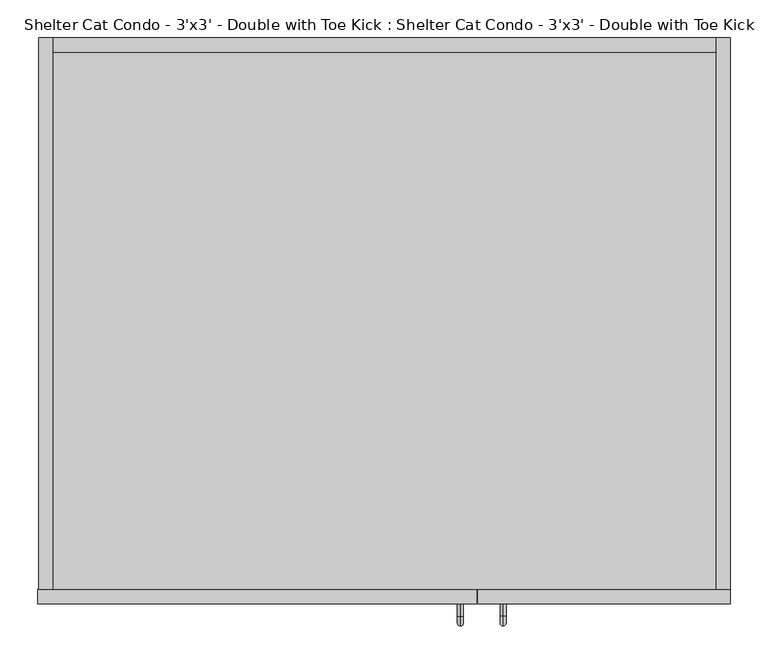
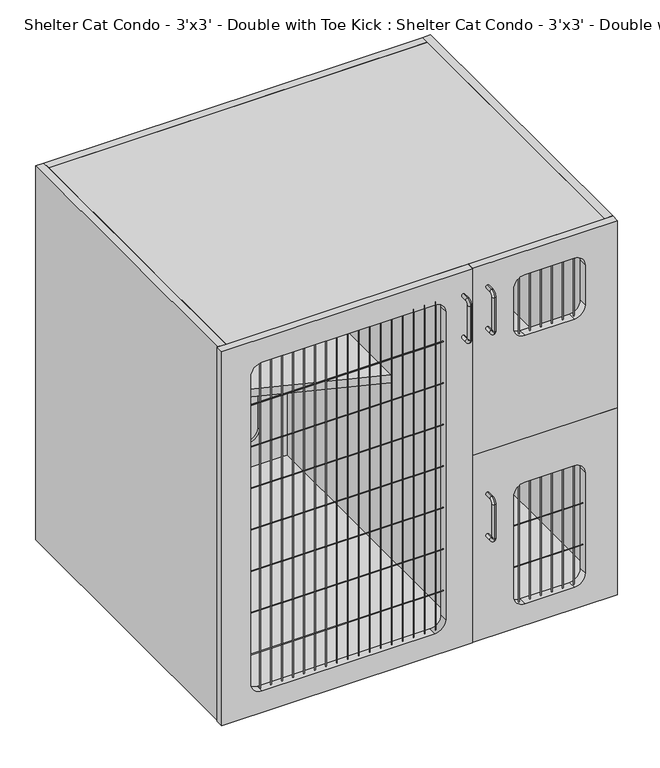
"""IFC4 building model written with IfcOpenShell, lengths in millimetres: proxy geometry, Shelter Cat Condo - 3'x3' - Double with Toe Kick : Shelter Cat Condo - 3'x3' - Double with Toe Kick."""

from ifc_helpers import new_model, si_unit, point, frame, frame_2d, origin, place, context, project, spatial, polyline, circle_curve, ellipse_curve, trimmed, segment, composite_curve, outline, extrude, source, transform, mapped, element, save
from ifc_brep_helpers import plane_surface, cylinder_surface, revolved_surface, advanced_brep


def shelter_cat_condo_3_x3_double_with_toe_kick_shelter_cat_6bec99ed(model_context):
    return source(origin(), model_context, "Body", "SolidModel", [
        advanced_brep(
        [(612.5770523, -12.3992455, 1870.9118154), (612.5770523, -12.3992455, 1878.7631846), (612.5770523, -28.5610223, 1878.7631846), (612.5770523, -28.5610223, 1870.9118154), (612.5770523, -41.7249301, 1865.5992768), (612.5770523, -33.8735609, 1865.5992768), (612.5770523, -41.7249301, 1782.4757232), (612.5770523, -33.8735609, 1782.4757232), (612.5770523, -28.5610223, 1769.3118154), (612.5770523, -28.5610223, 1777.1631846), (612.5770523, -12.3992455, 1777.1631846), (612.5770523, -12.3992455, 1769.3118154)],
        [
            (0, 1, circle_curve(frame((612.5770523, -12.3992455, 1874.8375), z_axis=(0.0, 1.0, 0.0), x_axis=(0.0, 0.0, 1.0)), 3.9256846)),
            (1, 0, circle_curve(frame((612.5770523, -12.3992455, 1874.8375), z_axis=(0.0, 1.0, 0.0), x_axis=(0.0, 0.0, 1.0)), 3.9256846)),
            (1, 2),
            (2, 3, circle_curve(frame((612.5770523, -28.5610223, 1874.8375), z_axis=(0.0, 1.0, 0.0), x_axis=(0.0, 0.0, 1.0)), 3.9256846)),
            (3, 0),
            (3, 2, circle_curve(frame((612.5770523, -28.5610223, 1874.8375), z_axis=(0.0, 1.0, 0.0), x_axis=(0.0, 0.0, 1.0)), 3.9256846)),
            (4, 5, circle_curve(frame((612.5770523, -37.7992455, 1865.5992768), z_axis=(0.0, 0.0, 1.0), x_axis=(0.0, -1.0, 0.0)), 3.9256846)),
            (5, 3, circle_curve(frame((612.5770523, -28.5610223, 1865.5992768), z_axis=(-1.0, 0.0, 0.0), x_axis=(0.0, 0.0, 1.0)), 5.3125387)),
            (2, 4, circle_curve(frame((612.5770523, -28.5610223, 1865.5992768), z_axis=(1.0, 0.0, 0.0), x_axis=(0.0, 0.0, 1.0)), 13.1639078)),
            (5, 4, circle_curve(frame((612.5770523, -37.7992455, 1865.5992768), z_axis=(0.0, 0.0, 1.0), x_axis=(0.0, -1.0, 0.0)), 3.9256846)),
            (4, 6),
            (6, 7, circle_curve(frame((612.5770523, -37.7992455, 1782.4757232), z_axis=(0.0, 0.0, 1.0), x_axis=(0.0, -1.0, 0.0)), 3.9256846)),
            (7, 5),
            (7, 6, circle_curve(frame((612.5770523, -37.7992455, 1782.4757232), z_axis=(0.0, 0.0, 1.0), x_axis=(0.0, -1.0, 0.0)), 3.9256846)),
            (8, 9, circle_curve(frame((612.5770523, -28.5610223, 1773.2375), z_axis=(0.0, -1.0, 0.0), x_axis=(0.0, 0.0, -1.0)), 3.9256846)),
            (9, 7, circle_curve(frame((612.5770523, -28.5610223, 1782.4757232), z_axis=(-1.0, 0.0, 0.0), x_axis=(0.0, -1.0, 0.0)), 5.3125387)),
            (6, 8, circle_curve(frame((612.5770523, -28.5610223, 1782.4757232), z_axis=(1.0, 0.0, 0.0), x_axis=(0.0, -1.0, 0.0)), 13.1639078)),
            (9, 8, circle_curve(frame((612.5770523, -28.5610223, 1773.2375), z_axis=(0.0, -1.0, 0.0), x_axis=(0.0, 0.0, -1.0)), 3.9256846)),
            (10, 11, circle_curve(frame((612.5770523, -12.3992455, 1773.2375), z_axis=(0.0, 1.0, 0.0), x_axis=(0.0, 0.0, -1.0)), 3.9256846)),
            (11, 10, circle_curve(frame((612.5770523, -12.3992455, 1773.2375), z_axis=(0.0, 1.0, 0.0), x_axis=(0.0, 0.0, -1.0)), 3.9256846)),
            (8, 11),
            (10, 9),
        ],
        [
            plane_surface(frame((612.5770523, -12.3992455, 1874.8375), z_axis=(0.0, 1.0, 0.0), x_axis=(-1.0, 0.0, 0.0))),
            cylinder_surface(frame((612.5770523, -12.3992455, 1874.8375), z_axis=(0.0, 1.0, 0.0), x_axis=(0.0, 0.0, 1.0)), 3.9256846),
            revolved_surface(trimmed(ellipse_curve(frame((612.5770523, -28.5610223, 1874.8375), z_axis=(0.0, -1.0, 0.0), x_axis=(0.0, 0.0, 1.0)), 3.9256846, 3.9256846), [point((612.5770523, -28.5610223, 1870.9118154))], [point((612.5770523, -28.5610223, 1878.7631846))], True, "CARTESIAN"), (612.5770523, -28.5610223, 1865.5992768), (-1.0, 0.0, 0.0)),
            revolved_surface(trimmed(ellipse_curve(frame((612.5770523, -28.5610223, 1874.8375), z_axis=(0.0, -1.0, 0.0), x_axis=(0.0, 0.0, 1.0)), 3.9256846, 3.9256846), [point((612.5770523, -28.5610223, 1878.7631846))], [point((612.5770523, -28.5610223, 1870.9118154))], True, "CARTESIAN"), (612.5770523, -28.5610223, 1865.5992768), (-1.0, 0.0, 0.0)),
            cylinder_surface(frame((612.5770523, -37.7992455, 1865.5992768), z_axis=(0.0, 0.0, 1.0), x_axis=(0.0, -1.0, 0.0)), 3.9256846),
            revolved_surface(trimmed(ellipse_curve(frame((612.5770523, -37.7992455, 1782.4757232), z_axis=(0.0, 0.0, -1.0), x_axis=(0.0, -1.0, 0.0)), 3.9256846, 3.9256846), [point((612.5770523, -33.8735609, 1782.4757232))], [point((612.5770523, -41.7249301, 1782.4757232))], True, "CARTESIAN"), (612.5770523, -28.5610223, 1782.4757232), (-1.0, 0.0, 0.0)),
            revolved_surface(trimmed(ellipse_curve(frame((612.5770523, -37.7992455, 1782.4757232), z_axis=(0.0, 0.0, -1.0), x_axis=(0.0, -1.0, 0.0)), 3.9256846, 3.9256846), [point((612.5770523, -41.7249301, 1782.4757232))], [point((612.5770523, -33.8735609, 1782.4757232))], True, "CARTESIAN"), (612.5770523, -28.5610223, 1782.4757232), (-1.0, 0.0, 0.0)),
            plane_surface(frame((612.5770523, -12.3992455, 1773.2375), z_axis=(0.0, 1.0, 0.0), x_axis=(-1.0, 0.0, 0.0))),
            cylinder_surface(frame((612.5770523, -28.5610223, 1773.2375), z_axis=(0.0, -1.0, 0.0), x_axis=(0.0, 0.0, -1.0)), 3.9256846),
        ],
        [
            (0, [[1, 2]]),
            (1, [[3, 4, 5, -2]]),
            (1, [[-5, 6, -3, -1]]),
            (2, [[7, 8, -4, 9]]),
            (3, [[10, -9, -6, -8]]),
            (4, [[11, 12, 13, -7]]),
            (4, [[-13, 14, -11, -10]]),
            (5, [[15, 16, -12, 17]]),
            (6, [[18, -17, -14, -16]]),
            (7, [[19, 20]]),
            (8, [[21, -19, 22, -15]]),
            (8, [[-22, -20, -21, -18]]),
        ],
    ),
        advanced_brep(
        [(612.5770523, -12.3992455, 1364.4993154), (612.5770523, -12.3992455, 1372.3506846), (612.5770523, -28.5610223, 1372.3506846), (612.5770523, -28.5610223, 1364.4993154), (612.5770523, -41.7249301, 1359.1867768), (612.5770523, -33.8735609, 1359.1867768), (612.5770523, -41.7249301, 1276.0632232), (612.5770523, -33.8735609, 1276.0632232), (612.5770523, -28.5610223, 1262.8993154), (612.5770523, -28.5610223, 1270.7506846), (612.5770523, -12.3992455, 1270.7506846), (612.5770523, -12.3992455, 1262.8993154)],
        [
            (0, 1, circle_curve(frame((612.5770523, -12.3992455, 1368.425), z_axis=(0.0, 1.0, 0.0), x_axis=(0.0, 0.0, 1.0)), 3.9256846)),
            (1, 0, circle_curve(frame((612.5770523, -12.3992455, 1368.425), z_axis=(0.0, 1.0, 0.0), x_axis=(0.0, 0.0, 1.0)), 3.9256846)),
            (1, 2),
            (2, 3, circle_curve(frame((612.5770523, -28.5610223, 1368.425), z_axis=(0.0, 1.0, 0.0), x_axis=(0.0, 0.0, 1.0)), 3.9256846)),
            (3, 0),
            (3, 2, circle_curve(frame((612.5770523, -28.5610223, 1368.425), z_axis=(0.0, 1.0, 0.0), x_axis=(0.0, 0.0, 1.0)), 3.9256846)),
            (4, 5, circle_curve(frame((612.5770523, -37.7992455, 1359.1867768), z_axis=(0.0, 0.0, 1.0), x_axis=(0.0, -1.0, 0.0)), 3.9256846)),
            (5, 3, circle_curve(frame((612.5770523, -28.5610223, 1359.1867768), z_axis=(-1.0, 0.0, 0.0), x_axis=(0.0, 0.0, 1.0)), 5.3125387)),
            (2, 4, circle_curve(frame((612.5770523, -28.5610223, 1359.1867768), z_axis=(1.0, 0.0, 0.0), x_axis=(0.0, 0.0, 1.0)), 13.1639078)),
            (5, 4, circle_curve(frame((612.5770523, -37.7992455, 1359.1867768), z_axis=(0.0, 0.0, 1.0), x_axis=(0.0, -1.0, 0.0)), 3.9256846)),
            (4, 6),
            (6, 7, circle_curve(frame((612.5770523, -37.7992455, 1276.0632232), z_axis=(0.0, 0.0, 1.0), x_axis=(0.0, -1.0, 0.0)), 3.9256846)),
            (7, 5),
            (7, 6, circle_curve(frame((612.5770523, -37.7992455, 1276.0632232), z_axis=(0.0, 0.0, 1.0), x_axis=(0.0, -1.0, 0.0)), 3.9256846)),
            (8, 9, circle_curve(frame((612.5770523, -28.5610223, 1266.825), z_axis=(0.0, -1.0, 0.0), x_axis=(0.0, 0.0, -1.0)), 3.9256846)),
            (9, 7, circle_curve(frame((612.5770523, -28.5610223, 1276.0632232), z_axis=(-1.0, 0.0, 0.0), x_axis=(0.0, -1.0, 0.0)), 5.3125387)),
            (6, 8, circle_curve(frame((612.5770523, -28.5610223, 1276.0632232), z_axis=(1.0, 0.0, 0.0), x_axis=(0.0, -1.0, 0.0)), 13.1639078)),
            (9, 8, circle_curve(frame((612.5770523, -28.5610223, 1266.825), z_axis=(0.0, -1.0, 0.0), x_axis=(0.0, 0.0, -1.0)), 3.9256846)),
            (10, 11, circle_curve(frame((612.5770523, -12.3992455, 1266.825), z_axis=(0.0, 1.0, 0.0), x_axis=(0.0, 0.0, -1.0)), 3.9256846)),
            (11, 10, circle_curve(frame((612.5770523, -12.3992455, 1266.825), z_axis=(0.0, 1.0, 0.0), x_axis=(0.0, 0.0, -1.0)), 3.9256846)),
            (8, 11),
            (10, 9),
        ],
        [
            plane_surface(frame((612.5770523, -12.3992455, 1368.425), z_axis=(0.0, 1.0, 0.0), x_axis=(-1.0, 0.0, 0.0))),
            cylinder_surface(frame((612.5770523, -12.3992455, 1368.425), z_axis=(0.0, 1.0, 0.0), x_axis=(0.0, 0.0, 1.0)), 3.9256846),
            revolved_surface(trimmed(ellipse_curve(frame((612.5770523, -28.5610223, 1368.425), z_axis=(0.0, -1.0, 0.0), x_axis=(0.0, 0.0, 1.0)), 3.9256846, 3.9256846), [point((612.5770523, -28.5610223, 1364.4993154))], [point((612.5770523, -28.5610223, 1372.3506846))], True, "CARTESIAN"), (612.5770523, -28.5610223, 1359.1867768), (-1.0, 0.0, 0.0)),
            revolved_surface(trimmed(ellipse_curve(frame((612.5770523, -28.5610223, 1368.425), z_axis=(0.0, -1.0, 0.0), x_axis=(0.0, 0.0, 1.0)), 3.9256846, 3.9256846), [point((612.5770523, -28.5610223, 1372.3506846))], [point((612.5770523, -28.5610223, 1364.4993154))], True, "CARTESIAN"), (612.5770523, -28.5610223, 1359.1867768), (-1.0, 0.0, 0.0)),
            cylinder_surface(frame((612.5770523, -37.7992455, 1359.1867768), z_axis=(0.0, 0.0, 1.0), x_axis=(0.0, -1.0, 0.0)), 3.9256846),
            revolved_surface(trimmed(ellipse_curve(frame((612.5770523, -37.7992455, 1276.0632232), z_axis=(0.0, 0.0, -1.0), x_axis=(0.0, -1.0, 0.0)), 3.9256846, 3.9256846), [point((612.5770523, -33.8735609, 1276.0632232))], [point((612.5770523, -41.7249301, 1276.0632232))], True, "CARTESIAN"), (612.5770523, -28.5610223, 1276.0632232), (-1.0, 0.0, 0.0)),
            revolved_surface(trimmed(ellipse_curve(frame((612.5770523, -37.7992455, 1276.0632232), z_axis=(0.0, 0.0, -1.0), x_axis=(0.0, -1.0, 0.0)), 3.9256846, 3.9256846), [point((612.5770523, -41.7249301, 1276.0632232))], [point((612.5770523, -33.8735609, 1276.0632232))], True, "CARTESIAN"), (612.5770523, -28.5610223, 1276.0632232), (-1.0, 0.0, 0.0)),
            plane_surface(frame((612.5770523, -12.3992455, 1266.825), z_axis=(0.0, 1.0, 0.0), x_axis=(-1.0, 0.0, 0.0))),
            cylinder_surface(frame((612.5770523, -28.5610223, 1266.825), z_axis=(0.0, -1.0, 0.0), x_axis=(0.0, 0.0, -1.0)), 3.9256846),
        ],
        [
            (0, [[1, 2]]),
            (1, [[3, 4, 5, -2]]),
            (1, [[-5, 6, -3, -1]]),
            (2, [[7, 8, -4, 9]]),
            (3, [[10, -9, -6, -8]]),
            (4, [[11, 12, 13, -7]]),
            (4, [[-13, 14, -11, -10]]),
            (5, [[15, 16, -12, 17]]),
            (6, [[18, -17, -14, -16]]),
            (7, [[19, 20]]),
            (8, [[21, -19, 22, -15]]),
            (8, [[-22, -20, -21, -18]]),
        ],
    ),
        advanced_brep(
        [(556.1960132, -12.7, 1869.3243154), (556.1960132, -12.7, 1877.1756846), (556.1960132, -28.8617768, 1869.3243154), (556.1960132, -28.8617768, 1877.1756846), (556.1960132, -42.0256846, 1864.0117768), (556.1960132, -34.1743154, 1864.0117768), (556.1960132, -34.1743154, 1780.8882232), (556.1960132, -42.0256846, 1780.8882232), (556.1960132, -28.8617768, 1767.7243154), (556.1960132, -28.8617768, 1775.5756846), (556.1960132, -12.7, 1775.5756846), (556.1960132, -12.7, 1767.7243154)],
        [
            (0, 1, circle_curve(frame((556.1960132, -12.7, 1873.25), z_axis=(0.0, 1.0, 0.0), x_axis=(0.0, 0.0, 1.0)), 3.9256846)),
            (1, 0, circle_curve(frame((556.1960132, -12.7, 1873.25), z_axis=(0.0, 1.0, 0.0), x_axis=(0.0, 0.0, 1.0)), 3.9256846)),
            (0, 2),
            (2, 3, circle_curve(frame((556.1960132, -28.8617768, 1873.25), z_axis=(0.0, 1.0, 0.0), x_axis=(0.0, 0.0, 1.0)), 3.9256846)),
            (3, 1),
            (3, 2, circle_curve(frame((556.1960132, -28.8617768, 1873.25), z_axis=(0.0, 1.0, 0.0), x_axis=(0.0, 0.0, 1.0)), 3.9256846)),
            (4, 3, circle_curve(frame((556.1960132, -28.8617768, 1864.0117768), z_axis=(-1.0, 0.0, 0.0), x_axis=(0.0, 0.0, 1.0)), 13.1639078)),
            (2, 5, circle_curve(frame((556.1960132, -28.8617768, 1864.0117768), z_axis=(1.0, 0.0, 0.0), x_axis=(0.0, 0.0, 1.0)), 5.3125387)),
            (5, 4, circle_curve(frame((556.1960132, -38.1, 1864.0117768), z_axis=(0.0, 0.0, 1.0), x_axis=(0.0, -1.0, 0.0)), 3.9256846)),
            (4, 5, circle_curve(frame((556.1960132, -38.1, 1864.0117768), z_axis=(0.0, 0.0, 1.0), x_axis=(0.0, -1.0, 0.0)), 3.9256846)),
            (5, 6),
            (6, 7, circle_curve(frame((556.1960132, -38.1, 1780.8882232), z_axis=(0.0, 0.0, 1.0), x_axis=(0.0, -1.0, 0.0)), 3.9256846)),
            (7, 4),
            (7, 6, circle_curve(frame((556.1960132, -38.1, 1780.8882232), z_axis=(0.0, 0.0, 1.0), x_axis=(0.0, -1.0, 0.0)), 3.9256846)),
            (8, 7, circle_curve(frame((556.1960132, -28.8617768, 1780.8882232), z_axis=(-1.0, 0.0, 0.0), x_axis=(0.0, -1.0, 0.0)), 13.1639078)),
            (6, 9, circle_curve(frame((556.1960132, -28.8617768, 1780.8882232), z_axis=(1.0, 0.0, 0.0), x_axis=(0.0, -1.0, 0.0)), 5.3125387)),
            (9, 8, circle_curve(frame((556.1960132, -28.8617768, 1771.65), z_axis=(0.0, -1.0, 0.0), x_axis=(0.0, 0.0, -1.0)), 3.9256846)),
            (8, 9, circle_curve(frame((556.1960132, -28.8617768, 1771.65), z_axis=(0.0, -1.0, 0.0), x_axis=(0.0, 0.0, -1.0)), 3.9256846)),
            (10, 11, circle_curve(frame((556.1960132, -12.7, 1771.65), z_axis=(0.0, 1.0, 0.0), x_axis=(0.0, 0.0, -1.0)), 3.9256846)),
            (11, 10, circle_curve(frame((556.1960132, -12.7, 1771.65), z_axis=(0.0, 1.0, 0.0), x_axis=(0.0, 0.0, -1.0)), 3.9256846)),
            (9, 10),
            (11, 8),
        ],
        [
            plane_surface(frame((556.1960132, -12.7, 1873.25), z_axis=(0.0, 1.0, 0.0), x_axis=(1.0, 0.0, 0.0))),
            cylinder_surface(frame((556.1960132, -12.7, 1873.25), z_axis=(0.0, 1.0, 0.0), x_axis=(0.0, 0.0, 1.0)), 3.9256846),
            revolved_surface(trimmed(ellipse_curve(frame((556.1960132, -28.8617768, 1873.25), z_axis=(0.0, 1.0, 0.0), x_axis=(0.0, 0.0, 1.0)), 3.9256846, 3.9256846), [point((556.1960132, -28.8617768, 1869.3243154))], [point((556.1960132, -28.8617768, 1877.1756846))], True, "CARTESIAN"), (556.1960132, -28.8617768, 1864.0117768), (1.0, 0.0, 0.0)),
            revolved_surface(trimmed(ellipse_curve(frame((556.1960132, -28.8617768, 1873.25), z_axis=(0.0, 1.0, 0.0), x_axis=(0.0, 0.0, 1.0)), 3.9256846, 3.9256846), [point((556.1960132, -28.8617768, 1877.1756846))], [point((556.1960132, -28.8617768, 1869.3243154))], True, "CARTESIAN"), (556.1960132, -28.8617768, 1864.0117768), (1.0, 0.0, 0.0)),
            cylinder_surface(frame((556.1960132, -38.1, 1864.0117768), z_axis=(0.0, 0.0, 1.0), x_axis=(0.0, -1.0, 0.0)), 3.9256846),
            revolved_surface(trimmed(ellipse_curve(frame((556.1960132, -38.1, 1780.8882232), z_axis=(0.0, 0.0, 1.0), x_axis=(0.0, -1.0, 0.0)), 3.9256846, 3.9256846), [point((556.1960132, -34.1743154, 1780.8882232))], [point((556.1960132, -42.0256846, 1780.8882232))], True, "CARTESIAN"), (556.1960132, -28.8617768, 1780.8882232), (1.0, 0.0, 0.0)),
            revolved_surface(trimmed(ellipse_curve(frame((556.1960132, -38.1, 1780.8882232), z_axis=(0.0, 0.0, 1.0), x_axis=(0.0, -1.0, 0.0)), 3.9256846, 3.9256846), [point((556.1960132, -42.0256846, 1780.8882232))], [point((556.1960132, -34.1743154, 1780.8882232))], True, "CARTESIAN"), (556.1960132, -28.8617768, 1780.8882232), (1.0, 0.0, 0.0)),
            plane_surface(frame((556.1960132, -12.7, 1771.65), z_axis=(0.0, 1.0, 0.0), x_axis=(1.0, 0.0, 0.0))),
            cylinder_surface(frame((556.1960132, -28.8617768, 1771.65), z_axis=(0.0, -1.0, 0.0), x_axis=(0.0, 0.0, -1.0)), 3.9256846),
        ],
        [
            (0, [[1, 2]]),
            (1, [[-1, 3, 4, 5]]),
            (1, [[-2, -5, 6, -3]]),
            (2, [[7, -4, 8, 9]]),
            (3, [[-8, -6, -7, 10]]),
            (4, [[-9, 11, 12, 13]]),
            (4, [[-10, -13, 14, -11]]),
            (5, [[15, -12, 16, 17]]),
            (6, [[-16, -14, -15, 18]]),
            (7, [[19, 20]]),
            (8, [[-17, 21, -20, 22]]),
            (8, [[-18, -22, -19, -21]]),
        ],
    ),
        extrude(outline(composite_curve([segment(polyline([(1857.6229317, 480.2642934), (1857.6229317, 83.895388)]), True, "CONTINUOUS"), segment(trimmed(circle_curve(frame_2d((1832.2229317, 83.895388)), 25.4), [point((1857.6229317, 83.895388))], [point((1832.2229317, 58.495388))], False, "CARTESIAN"), True, "CONTINUOUS"), segment(polyline([(1832.2229317, 58.495388), (1121.2421917, 58.495388)]), True, "CONTINUOUS"), segment(trimmed(circle_curve(frame_2d((1121.2421917, 83.895388)), 25.4), [point((1121.2421917, 58.495388))], [point((1095.8421917, 83.895388))], False, "CARTESIAN"), True, "CONTINUOUS"), segment(polyline([(1095.8421917, 83.895388), (1095.8421917, 480.2642934)]), True, "CONTINUOUS"), segment(trimmed(circle_curve(frame_2d((1121.2421917, 480.2642934)), 25.4), [point((1095.8421917, 480.2642934))], [point((1121.2421917, 505.6642934))], False, "CARTESIAN"), True, "CONTINUOUS"), segment(polyline([(1121.2421917, 505.6642934), (1832.2229317, 505.6642934)]), True, "CONTINUOUS"), segment(trimmed(circle_curve(frame_2d((1832.2229317, 480.2642934)), 25.4), [point((1832.2229317, 505.6642934))], [point((1857.6229317, 480.2642934))], False, "CARTESIAN"), True, "CONTINUOUS")], self_intersect=False)), frame((0.0, 723.9, 0.0), z_axis=(0.0, 1.0, 0.0), x_axis=(0.0, 0.0, 1.0)), (0.0, 0.0, 1.0), 6.35),
        extrude(outline(polyline([(1930.6479317, 893.9581709), (1930.6479317, 17.6581709), (1016.0, 17.6581709), (1016.0, 893.9581709), (1930.6479317, 893.9581709)]), holes=[composite_curve([segment(polyline([(1832.2229317, 505.6642934), (1121.2421917, 505.6642934)]), True, "CONTINUOUS"), segment(trimmed(circle_curve(frame_2d((1121.2421917, 480.2642934)), 25.4), [point((1121.2421917, 505.6642934))], [point((1095.8421917, 480.2642934))], True, "CARTESIAN"), True, "CONTINUOUS"), segment(polyline([(1095.8421917, 480.2642934), (1095.8421917, 83.895388)]), True, "CONTINUOUS"), segment(trimmed(circle_curve(frame_2d((1121.2421917, 83.895388)), 25.4), [point((1095.8421917, 83.895388))], [point((1121.2421917, 58.495388))], True, "CARTESIAN"), True, "CONTINUOUS"), segment(polyline([(1121.2421917, 58.495388), (1832.2229317, 58.495388)]), True, "CONTINUOUS"), segment(trimmed(circle_curve(frame_2d((1832.2229317, 83.895388)), 25.4), [point((1832.2229317, 58.495388))], [point((1857.6229317, 83.895388))], True, "CARTESIAN"), True, "CONTINUOUS"), segment(polyline([(1857.6229317, 83.895388), (1857.6229317, 480.2642934)]), True, "CONTINUOUS"), segment(trimmed(circle_curve(frame_2d((1832.2229317, 480.2642934)), 25.4), [point((1857.6229317, 480.2642934))], [point((1832.2229317, 505.6642934))], True, "CARTESIAN"), True, "CONTINUOUS")], self_intersect=False)]), frame((0.0, 717.55, 0.0), z_axis=(0.0, 1.0, 0.0), x_axis=(0.0, 0.0, 1.0)), (0.0, 0.0, 1.0), 19.05),
        extrude(outline(polyline([(893.9581709, 717.55), (893.9581709, 6.35), (589.1581709, 6.35), (589.1581709, 717.55), (893.9581709, 717.55)])), frame((0.0, 0.0, 1463.7989658), z_axis=(0.0, 0.0, 1.0), x_axis=(1.0, 0.0, 0.0)), (0.0, 0.0, 1.0), 19.05),
        extrude(outline(polyline([(893.9581709, 717.55), (893.9581709, 6.35), (17.6581709, 6.35), (17.6581709, 717.55), (893.9581709, 717.55)])), frame((0.0, 0.0, 1911.5979317), z_axis=(0.0, 0.0, 1.0), x_axis=(1.0, 0.0, 0.0)), (0.0, 0.0, 1.0), 19.05),
        extrude(outline(polyline([(570.1081709, 717.55), (589.1581709, 717.55), (589.1581709, 6.35), (570.1081709, 6.35), (570.1081709, 717.55)])), frame((0.0, 0.0, 1035.05), z_axis=(0.0, 0.0, 1.0), x_axis=(1.0, 0.0, 0.0)), (0.0, 0.0, 1.0), 876.5479317),
        extrude(outline(polyline([(570.1081709, 717.55), (570.1081709, 300.5746441), (17.6581709, 501.65), (17.6581709, 717.55), (570.1081709, 717.55)])), frame((0.0, 0.0, 1464.7822176), z_axis=(0.0, 0.0, 1.0), x_axis=(1.0, 0.0, 0.0)), (0.0, 0.0, 1.0), 19.05),
        extrude(outline(polyline([(893.9581709, 6.35), (17.6581709, 6.35), (17.6581709, 717.55), (893.9581709, 717.55), (893.9581709, 6.35)])), frame((0.0, 0.0, 1016.0), z_axis=(0.0, 0.0, 1.0), x_axis=(1.0, 0.0, 0.0)), (0.0, 0.0, 1.0), 19.05),
        extrude(outline(polyline([(893.9581709, 736.6), (913.0081709, 736.6), (913.0081709, 6.35), (893.9581709, 6.35), (893.9581709, 736.6)])), frame((0.0, 0.0, 1016.0), z_axis=(0.0, 0.0, 1.0), x_axis=(1.0, 0.0, 0.0)), (0.0, 0.0, 1.0), 914.6479317),
        extrude(outline(polyline([(17.6581709, 736.6), (17.6581709, 6.35), (-1.3918291, 6.35), (-1.3918291, 736.6), (17.6581709, 736.6)])), frame((0.0, 0.0, 1016.0), z_axis=(0.0, 0.0, 1.0), x_axis=(1.0, 0.0, 0.0)), (0.0, 0.0, 1.0), 914.6479317),
        extrude(outline(polyline([(1930.6479317, 913.0081709), (1930.6479317, 578.9894362), (1473.3239658, 578.9894362), (1473.3239658, 913.0081709), (1930.6479317, 913.0081709)]), holes=[composite_curve([segment(polyline([(1873.25, 698.8412572), (1873.25, 813.1412572)]), True, "CONTINUOUS"), segment(trimmed(circle_curve(frame_2d((1847.85, 813.1412572)), 25.4), [point((1873.25, 813.1412572))], [point((1847.85, 838.5412572))], True, "CARTESIAN"), True, "CONTINUOUS"), segment(polyline([(1847.85, 838.5412572), (1750.3866761, 838.5412572)]), True, "CONTINUOUS"), segment(trimmed(circle_curve(frame_2d((1750.3866761, 813.1412572)), 25.4), [point((1750.3866761, 838.5412572))], [point((1724.9866761, 813.1412572))], True, "CARTESIAN"), True, "CONTINUOUS"), segment(polyline([(1724.9866761, 813.1412572), (1724.9866761, 698.8412572)]), True, "CONTINUOUS"), segment(trimmed(circle_curve(frame_2d((1750.3866761, 698.8412572)), 25.4), [point((1724.9866761, 698.8412572))], [point((1750.3866761, 673.4412572))], True, "CARTESIAN"), True, "CONTINUOUS"), segment(polyline([(1750.3866761, 673.4412572), (1847.85, 673.4412572)]), True, "CONTINUOUS"), segment(trimmed(circle_curve(frame_2d((1847.85, 698.8412572)), 25.4), [point((1847.85, 673.4412572))], [point((1873.25, 698.8412572))], True, "CARTESIAN"), True, "CONTINUOUS")], self_intersect=False)]), frame((0.0, -12.3992455, 0.0), z_axis=(0.0, 1.0, 0.0), x_axis=(0.0, 0.0, 1.0)), (0.0, 0.0, 1.0), 19.05),
        extrude(outline(composite_curve([segment(trimmed(circle_curve(frame_2d((817.3918339, -3.3102248)), 0.79375), [point((816.5980839, -3.3102248))], [point((818.1855839, -3.3102248))], False, "CARTESIAN"), True, "CONTINUOUS"), segment(trimmed(circle_curve(frame_2d((817.3918339, -3.3102248)), 0.79375), [point((818.1855839, -3.3102248))], [point((816.5980839, -3.3102248))], False, "CARTESIAN"), True, "CONTINUOUS")], self_intersect=False)), frame((0.0, 0.0, 1068.8760987), z_axis=(0.0, 0.0, 1.0), x_axis=(1.0, 0.0, 0.0)), (0.0, 0.0, 1.0), 296.8625),
        extrude(outline(composite_curve([segment(trimmed(circle_curve(frame_2d((791.9918339, -3.3102248)), 0.79375), [point((791.1980839, -3.3102248))], [point((792.7855839, -3.3102248))], False, "CARTESIAN"), True, "CONTINUOUS"), segment(trimmed(circle_curve(frame_2d((791.9918339, -3.3102248)), 0.79375), [point((792.7855839, -3.3102248))], [point((791.1980839, -3.3102248))], False, "CARTESIAN"), True, "CONTINUOUS")], self_intersect=False)), frame((0.0, 0.0, 1068.8760987), z_axis=(0.0, 0.0, 1.0), x_axis=(1.0, 0.0, 0.0)), (0.0, 0.0, 1.0), 296.8625),
        extrude(outline(composite_curve([segment(trimmed(circle_curve(frame_2d((766.5918339, -3.3102248)), 0.79375), [point((765.7980839, -3.3102248))], [point((767.3855839, -3.3102248))], False, "CARTESIAN"), True, "CONTINUOUS"), segment(trimmed(circle_curve(frame_2d((766.5918339, -3.3102248)), 0.79375), [point((767.3855839, -3.3102248))], [point((765.7980839, -3.3102248))], False, "CARTESIAN"), True, "CONTINUOUS")], self_intersect=False)), frame((0.0, 0.0, 1068.8760987), z_axis=(0.0, 0.0, 1.0), x_axis=(1.0, 0.0, 0.0)), (0.0, 0.0, 1.0), 296.8625),
        extrude(outline(composite_curve([segment(trimmed(circle_curve(frame_2d((741.1918339, -3.3102248)), 0.79375), [point((740.3980839, -3.3102248))], [point((741.9855839, -3.3102248))], False, "CARTESIAN"), True, "CONTINUOUS"), segment(trimmed(circle_curve(frame_2d((741.1918339, -3.3102248)), 0.79375), [point((741.9855839, -3.3102248))], [point((740.3980839, -3.3102248))], False, "CARTESIAN"), True, "CONTINUOUS")], self_intersect=False)), frame((0.0, 0.0, 1068.8760987), z_axis=(0.0, 0.0, 1.0), x_axis=(1.0, 0.0, 0.0)), (0.0, 0.0, 1.0), 296.8625),
        extrude(outline(composite_curve([segment(trimmed(circle_curve(frame_2d((715.7918339, -3.3102248)), 0.79375), [point((714.9980839, -3.3102248))], [point((716.5855839, -3.3102248))], False, "CARTESIAN"), True, "CONTINUOUS"), segment(trimmed(circle_curve(frame_2d((715.7918339, -3.3102248)), 0.79375), [point((716.5855839, -3.3102248))], [point((714.9980839, -3.3102248))], False, "CARTESIAN"), True, "CONTINUOUS")], self_intersect=False)), frame((0.0, 0.0, 1068.8760987), z_axis=(0.0, 0.0, 1.0), x_axis=(1.0, 0.0, 0.0)), (0.0, 0.0, 1.0), 296.8625),
        extrude(outline(composite_curve([segment(trimmed(circle_curve(frame_2d((690.3918339, -3.3102248)), 0.79375), [point((689.5980839, -3.3102248))], [point((691.1855839, -3.3102248))], False, "CARTESIAN"), True, "CONTINUOUS"), segment(trimmed(circle_curve(frame_2d((690.3918339, -3.3102248)), 0.79375), [point((691.1855839, -3.3102248))], [point((689.5980839, -3.3102248))], False, "CARTESIAN"), True, "CONTINUOUS")], self_intersect=False)), frame((0.0, 0.0, 1068.8760987), z_axis=(0.0, 0.0, 1.0), x_axis=(1.0, 0.0, 0.0)), (0.0, 0.0, 1.0), 296.8625),
        extrude(outline(composite_curve([segment(trimmed(circle_curve(frame_2d((-3.3102248, 1260.9635987)), 0.79375), [point((-3.3102248, 1261.7573487))], [point((-3.3102248, 1260.1698487))], False, "CARTESIAN"), True, "CONTINUOUS"), segment(trimmed(circle_curve(frame_2d((-3.3102248, 1260.9635987)), 0.79375), [point((-3.3102248, 1260.1698487))], [point((-3.3102248, 1261.7573487))], False, "CARTESIAN"), True, "CONTINUOUS")], self_intersect=False)), frame((673.4412572, 0.0, 0.0), z_axis=(1.0, 0.0, 0.0), x_axis=(0.0, 1.0, 0.0)), (0.0, 0.0, 1.0), 165.1),
        extrude(outline(composite_curve([segment(trimmed(circle_curve(frame_2d((-3.3102248, 1159.3635987)), 0.79375), [point((-3.3102248, 1160.1573487))], [point((-3.3102248, 1158.5698487))], False, "CARTESIAN"), True, "CONTINUOUS"), segment(trimmed(circle_curve(frame_2d((-3.3102248, 1159.3635987)), 0.79375), [point((-3.3102248, 1158.5698487))], [point((-3.3102248, 1160.1573487))], False, "CARTESIAN"), True, "CONTINUOUS")], self_intersect=False)), frame((673.4412572, 0.0, 0.0), z_axis=(1.0, 0.0, 0.0), x_axis=(0.0, 1.0, 0.0)), (0.0, 0.0, 1.0), 165.1),
        extrude(outline(polyline([(1473.3239658, 913.0081709), (1473.3239658, 578.9894362), (1016.0, 578.9894362), (1016.0, 913.0081709), (1473.3239658, 913.0081709)]), holes=[composite_curve([segment(polyline([(1365.7385987, 698.8412572), (1365.7385987, 813.1412572)]), True, "CONTINUOUS"), segment(trimmed(circle_curve(frame_2d((1340.3385987, 813.1412572)), 25.4), [point((1365.7385987, 813.1412572))], [point((1340.3385987, 838.5412572))], True, "CARTESIAN"), True, "CONTINUOUS"), segment(polyline([(1340.3385987, 838.5412572), (1094.2760987, 838.5412572)]), True, "CONTINUOUS"), segment(trimmed(circle_curve(frame_2d((1094.2760987, 813.1412572)), 25.4), [point((1094.2760987, 838.5412572))], [point((1068.8760987, 813.1412572))], True, "CARTESIAN"), True, "CONTINUOUS"), segment(polyline([(1068.8760987, 813.1412572), (1068.8760987, 698.8412572)]), True, "CONTINUOUS"), segment(trimmed(circle_curve(frame_2d((1094.2760987, 698.8412572)), 25.4), [point((1068.8760987, 698.8412572))], [point((1094.2760987, 673.4412572))], True, "CARTESIAN"), True, "CONTINUOUS"), segment(polyline([(1094.2760987, 673.4412572), (1340.3385987, 673.4412572)]), True, "CONTINUOUS"), segment(trimmed(circle_curve(frame_2d((1340.3385987, 698.8412572)), 25.4), [point((1340.3385987, 673.4412572))], [point((1365.7385987, 698.8412572))], True, "CARTESIAN"), True, "CONTINUOUS")], self_intersect=False)]), frame((0.0, -12.3992455, 0.0), z_axis=(0.0, 1.0, 0.0), x_axis=(0.0, 0.0, 1.0)), (0.0, 0.0, 1.0), 19.05),
        extrude(outline(polyline([(1930.6479317, 577.5976071), (1930.6479317, -2.7836581), (1016.0, -2.7836581), (1016.0, 577.5976071), (1930.6479317, 577.5976071)]), holes=[composite_curve([segment(polyline([(1846.7510987, 515.9588864), (1094.2760987, 515.9588864)]), True, "CONTINUOUS"), segment(trimmed(circle_curve(frame_2d((1094.2760987, 490.5588864)), 25.4), [point((1094.2760987, 515.9588864))], [point((1068.8760987, 490.5588864))], True, "CARTESIAN"), True, "CONTINUOUS"), segment(polyline([(1068.8760987, 490.5588864), (1068.8760987, 90.5068898)]), True, "CONTINUOUS"), segment(trimmed(circle_curve(frame_2d((1094.2760987, 90.5068898)), 25.4), [point((1068.8760987, 90.5068898))], [point((1094.2760987, 65.1068898))], True, "CARTESIAN"), True, "CONTINUOUS"), segment(polyline([(1094.2760987, 65.1068898), (1846.7510987, 65.1068898)]), True, "CONTINUOUS"), segment(trimmed(circle_curve(frame_2d((1846.7510987, 90.5068898)), 25.4), [point((1846.7510987, 65.1068898))], [point((1872.1510987, 90.5068898))], True, "CARTESIAN"), True, "CONTINUOUS"), segment(polyline([(1872.1510987, 90.5068898), (1872.1510987, 490.5588864)]), True, "CONTINUOUS"), segment(trimmed(circle_curve(frame_2d((1846.7510987, 490.5588864)), 25.4), [point((1872.1510987, 490.5588864))], [point((1846.7510987, 515.9588864))], True, "CARTESIAN"), True, "CONTINUOUS")], self_intersect=False)]), frame((0.0, -12.7, 0.0), z_axis=(0.0, 1.0, 0.0), x_axis=(0.0, 0.0, 1.0)), (0.0, 0.0, 1.0), 19.05),
        extrude(outline(composite_curve([segment(trimmed(circle_curve(frame_2d((-3.3102248, 1159.3635987)), 0.79375), [point((-3.3102248, 1160.1573487))], [point((-3.3102248, 1158.5698487))], False, "CARTESIAN"), True, "CONTINUOUS"), segment(trimmed(circle_curve(frame_2d((-3.3102248, 1159.3635987)), 0.79375), [point((-3.3102248, 1158.5698487))], [point((-3.3102248, 1160.1573487))], False, "CARTESIAN"), True, "CONTINUOUS")], self_intersect=False)), frame((65.1088864, 0.0, 0.0), z_axis=(1.0, 0.0, 0.0), x_axis=(0.0, 1.0, 0.0)), (0.0, 0.0, 1.0), 450.85),
        extrude(outline(composite_curve([segment(trimmed(circle_curve(frame_2d((-3.3102248, 1768.9635987)), 0.79375), [point((-3.3102248, 1769.7573487))], [point((-3.3102248, 1768.1698487))], False, "CARTESIAN"), True, "CONTINUOUS"), segment(trimmed(circle_curve(frame_2d((-3.3102248, 1768.9635987)), 0.79375), [point((-3.3102248, 1768.1698487))], [point((-3.3102248, 1769.7573487))], False, "CARTESIAN"), True, "CONTINUOUS")], self_intersect=False)), frame((65.1088864, 0.0, 0.0), z_axis=(1.0, 0.0, 0.0), x_axis=(0.0, 1.0, 0.0)), (0.0, 0.0, 1.0), 450.85),
        extrude(outline(composite_curve([segment(trimmed(circle_curve(frame_2d((-3.3102248, 1667.3635987)), 0.79375), [point((-3.3102248, 1668.1573487))], [point((-3.3102248, 1666.5698487))], False, "CARTESIAN"), True, "CONTINUOUS"), segment(trimmed(circle_curve(frame_2d((-3.3102248, 1667.3635987)), 0.79375), [point((-3.3102248, 1666.5698487))], [point((-3.3102248, 1668.1573487))], False, "CARTESIAN"), True, "CONTINUOUS")], self_intersect=False)), frame((65.1088864, 0.0, 0.0), z_axis=(1.0, 0.0, 0.0), x_axis=(0.0, 1.0, 0.0)), (0.0, 0.0, 1.0), 450.85),
        extrude(outline(composite_curve([segment(trimmed(circle_curve(frame_2d((817.3844654, -3.3071265)), 0.79375), [point((816.5907154, -3.3071265))], [point((818.1782154, -3.3071265))], False, "CARTESIAN"), True, "CONTINUOUS"), segment(trimmed(circle_curve(frame_2d((817.3844654, -3.3071265)), 0.79375), [point((818.1782154, -3.3071265))], [point((816.5907154, -3.3071265))], False, "CARTESIAN"), True, "CONTINUOUS")], self_intersect=False)), frame((0.0, 0.0, 1724.9866761), z_axis=(0.0, 0.0, 1.0), x_axis=(1.0, 0.0, 0.0)), (0.0, 0.0, 1.0), 147.1644226),
        extrude(outline(composite_curve([segment(trimmed(circle_curve(frame_2d((791.9844654, -3.3071265)), 0.79375), [point((791.1907154, -3.3071265))], [point((792.7782154, -3.3071265))], False, "CARTESIAN"), True, "CONTINUOUS"), segment(trimmed(circle_curve(frame_2d((791.9844654, -3.3071265)), 0.79375), [point((792.7782154, -3.3071265))], [point((791.1907154, -3.3071265))], False, "CARTESIAN"), True, "CONTINUOUS")], self_intersect=False)), frame((0.0, 0.0, 1724.9866761), z_axis=(0.0, 0.0, 1.0), x_axis=(1.0, 0.0, 0.0)), (0.0, 0.0, 1.0), 147.1644226),
        extrude(outline(composite_curve([segment(trimmed(circle_curve(frame_2d((766.5844654, -3.3071265)), 0.79375), [point((765.7907154, -3.3071265))], [point((767.3782154, -3.3071265))], False, "CARTESIAN"), True, "CONTINUOUS"), segment(trimmed(circle_curve(frame_2d((766.5844654, -3.3071265)), 0.79375), [point((767.3782154, -3.3071265))], [point((765.7907154, -3.3071265))], False, "CARTESIAN"), True, "CONTINUOUS")], self_intersect=False)), frame((0.0, 0.0, 1724.9866761), z_axis=(0.0, 0.0, 1.0), x_axis=(1.0, 0.0, 0.0)), (0.0, 0.0, 1.0), 147.1644226),
        extrude(outline(composite_curve([segment(trimmed(circle_curve(frame_2d((741.1844654, -3.3071265)), 0.79375), [point((740.3907154, -3.3071265))], [point((741.9782154, -3.3071265))], False, "CARTESIAN"), True, "CONTINUOUS"), segment(trimmed(circle_curve(frame_2d((741.1844654, -3.3071265)), 0.79375), [point((741.9782154, -3.3071265))], [point((740.3907154, -3.3071265))], False, "CARTESIAN"), True, "CONTINUOUS")], self_intersect=False)), frame((0.0, 0.0, 1724.9866761), z_axis=(0.0, 0.0, 1.0), x_axis=(1.0, 0.0, 0.0)), (0.0, 0.0, 1.0), 147.1644226),
        extrude(outline(composite_curve([segment(trimmed(circle_curve(frame_2d((715.7844654, -3.3071265)), 0.79375), [point((714.9907154, -3.3071265))], [point((716.5782154, -3.3071265))], False, "CARTESIAN"), True, "CONTINUOUS"), segment(trimmed(circle_curve(frame_2d((715.7844654, -3.3071265)), 0.79375), [point((716.5782154, -3.3071265))], [point((714.9907154, -3.3071265))], False, "CARTESIAN"), True, "CONTINUOUS")], self_intersect=False)), frame((0.0, 0.0, 1724.9866761), z_axis=(0.0, 0.0, 1.0), x_axis=(1.0, 0.0, 0.0)), (0.0, 0.0, 1.0), 147.1644226),
        extrude(outline(composite_curve([segment(trimmed(circle_curve(frame_2d((690.3844654, -3.3071265)), 0.79375), [point((689.5907154, -3.3071265))], [point((691.1782154, -3.3071265))], False, "CARTESIAN"), True, "CONTINUOUS"), segment(trimmed(circle_curve(frame_2d((690.3844654, -3.3071265)), 0.79375), [point((691.1782154, -3.3071265))], [point((689.5907154, -3.3071265))], False, "CARTESIAN"), True, "CONTINUOUS")], self_intersect=False)), frame((0.0, 0.0, 1724.9866761), z_axis=(0.0, 0.0, 1.0), x_axis=(1.0, 0.0, 0.0)), (0.0, 0.0, 1.0), 147.1644226),
        extrude(outline(composite_curve([segment(trimmed(circle_curve(frame_2d((-3.3102248, 1565.7635987)), 0.79375), [point((-3.3102248, 1566.5573487))], [point((-3.3102248, 1564.9698487))], False, "CARTESIAN"), True, "CONTINUOUS"), segment(trimmed(circle_curve(frame_2d((-3.3102248, 1565.7635987)), 0.79375), [point((-3.3102248, 1564.9698487))], [point((-3.3102248, 1566.5573487))], False, "CARTESIAN"), True, "CONTINUOUS")], self_intersect=False)), frame((65.1088864, 0.0, 0.0), z_axis=(1.0, 0.0, 0.0), x_axis=(0.0, 1.0, 0.0)), (0.0, 0.0, 1.0), 450.85),
        extrude(outline(composite_curve([segment(trimmed(circle_curve(frame_2d((-3.3102248, 1464.1635987)), 0.79375), [point((-3.3102248, 1464.9573487))], [point((-3.3102248, 1463.3698487))], False, "CARTESIAN"), True, "CONTINUOUS"), segment(trimmed(circle_curve(frame_2d((-3.3102248, 1464.1635987)), 0.79375), [point((-3.3102248, 1463.3698487))], [point((-3.3102248, 1464.9573487))], False, "CARTESIAN"), True, "CONTINUOUS")], self_intersect=False)), frame((65.1088864, 0.0, 0.0), z_axis=(1.0, 0.0, 0.0), x_axis=(0.0, 1.0, 0.0)), (0.0, 0.0, 1.0), 450.85),
        extrude(outline(composite_curve([segment(trimmed(circle_curve(frame_2d((-3.3102248, 1362.5635987)), 0.79375), [point((-3.3102248, 1363.3573487))], [point((-3.3102248, 1361.7698487))], False, "CARTESIAN"), True, "CONTINUOUS"), segment(trimmed(circle_curve(frame_2d((-3.3102248, 1362.5635987)), 0.79375), [point((-3.3102248, 1361.7698487))], [point((-3.3102248, 1363.3573487))], False, "CARTESIAN"), True, "CONTINUOUS")], self_intersect=False)), frame((65.1088864, 0.0, 0.0), z_axis=(1.0, 0.0, 0.0), x_axis=(0.0, 1.0, 0.0)), (0.0, 0.0, 1.0), 450.85),
        extrude(outline(composite_curve([segment(trimmed(circle_curve(frame_2d((-3.3102248, 1260.9635987)), 0.79375), [point((-3.3102248, 1261.7573487))], [point((-3.3102248, 1260.1698487))], False, "CARTESIAN"), True, "CONTINUOUS"), segment(trimmed(circle_curve(frame_2d((-3.3102248, 1260.9635987)), 0.79375), [point((-3.3102248, 1260.1698487))], [point((-3.3102248, 1261.7573487))], False, "CARTESIAN"), True, "CONTINUOUS")], self_intersect=False)), frame((65.1088864, 0.0, 0.0), z_axis=(1.0, 0.0, 0.0), x_axis=(0.0, 1.0, 0.0)), (0.0, 0.0, 1.0), 450.85),
        extrude(outline(composite_curve([segment(trimmed(circle_curve(frame_2d((497.6196029, -3.3102248)), 0.79375), [point((496.8258529, -3.3102248))], [point((498.4133529, -3.3102248))], False, "CARTESIAN"), True, "CONTINUOUS"), segment(trimmed(circle_curve(frame_2d((497.6196029, -3.3102248)), 0.79375), [point((498.4133529, -3.3102248))], [point((496.8258529, -3.3102248))], False, "CARTESIAN"), True, "CONTINUOUS")], self_intersect=False)), frame((0.0, 0.0, 1068.8760987), z_axis=(0.0, 0.0, 1.0), x_axis=(1.0, 0.0, 0.0)), (0.0, 0.0, 1.0), 803.275),
        extrude(outline(composite_curve([segment(trimmed(circle_curve(frame_2d((472.2196029, -3.3102248)), 0.79375), [point((471.4258529, -3.3102248))], [point((473.0133529, -3.3102248))], False, "CARTESIAN"), True, "CONTINUOUS"), segment(trimmed(circle_curve(frame_2d((472.2196029, -3.3102248)), 0.79375), [point((473.0133529, -3.3102248))], [point((471.4258529, -3.3102248))], False, "CARTESIAN"), True, "CONTINUOUS")], self_intersect=False)), frame((0.0, 0.0, 1068.8760987), z_axis=(0.0, 0.0, 1.0), x_axis=(1.0, 0.0, 0.0)), (0.0, 0.0, 1.0), 803.275),
        extrude(outline(composite_curve([segment(trimmed(circle_curve(frame_2d((446.8196029, -3.3102248)), 0.79375), [point((446.0258529, -3.3102248))], [point((447.6133529, -3.3102248))], False, "CARTESIAN"), True, "CONTINUOUS"), segment(trimmed(circle_curve(frame_2d((446.8196029, -3.3102248)), 0.79375), [point((447.6133529, -3.3102248))], [point((446.0258529, -3.3102248))], False, "CARTESIAN"), True, "CONTINUOUS")], self_intersect=False)), frame((0.0, 0.0, 1068.8760987), z_axis=(0.0, 0.0, 1.0), x_axis=(1.0, 0.0, 0.0)), (0.0, 0.0, 1.0), 803.275),
        extrude(outline(composite_curve([segment(trimmed(circle_curve(frame_2d((421.4196029, -3.3102248)), 0.79375), [point((420.6258529, -3.3102248))], [point((422.2133529, -3.3102248))], False, "CARTESIAN"), True, "CONTINUOUS"), segment(trimmed(circle_curve(frame_2d((421.4196029, -3.3102248)), 0.79375), [point((422.2133529, -3.3102248))], [point((420.6258529, -3.3102248))], False, "CARTESIAN"), True, "CONTINUOUS")], self_intersect=False)), frame((0.0, 0.0, 1068.8760987), z_axis=(0.0, 0.0, 1.0), x_axis=(1.0, 0.0, 0.0)), (0.0, 0.0, 1.0), 803.275),
        extrude(outline(composite_curve([segment(trimmed(circle_curve(frame_2d((396.0196029, -3.3102248)), 0.79375), [point((395.2258529, -3.3102248))], [point((396.8133529, -3.3102248))], False, "CARTESIAN"), True, "CONTINUOUS"), segment(trimmed(circle_curve(frame_2d((396.0196029, -3.3102248)), 0.79375), [point((396.8133529, -3.3102248))], [point((395.2258529, -3.3102248))], False, "CARTESIAN"), True, "CONTINUOUS")], self_intersect=False)), frame((0.0, 0.0, 1068.8760987), z_axis=(0.0, 0.0, 1.0), x_axis=(1.0, 0.0, 0.0)), (0.0, 0.0, 1.0), 803.275),
        extrude(outline(composite_curve([segment(trimmed(circle_curve(frame_2d((370.6196029, -3.3102248)), 0.79375), [point((369.8258529, -3.3102248))], [point((371.4133529, -3.3102248))], False, "CARTESIAN"), True, "CONTINUOUS"), segment(trimmed(circle_curve(frame_2d((370.6196029, -3.3102248)), 0.79375), [point((371.4133529, -3.3102248))], [point((369.8258529, -3.3102248))], False, "CARTESIAN"), True, "CONTINUOUS")], self_intersect=False)), frame((0.0, 0.0, 1068.8760987), z_axis=(0.0, 0.0, 1.0), x_axis=(1.0, 0.0, 0.0)), (0.0, 0.0, 1.0), 803.275),
        extrude(outline(composite_curve([segment(trimmed(circle_curve(frame_2d((345.2196029, -3.3102248)), 0.79375), [point((344.4258529, -3.3102248))], [point((346.0133529, -3.3102248))], False, "CARTESIAN"), True, "CONTINUOUS"), segment(trimmed(circle_curve(frame_2d((345.2196029, -3.3102248)), 0.79375), [point((346.0133529, -3.3102248))], [point((344.4258529, -3.3102248))], False, "CARTESIAN"), True, "CONTINUOUS")], self_intersect=False)), frame((0.0, 0.0, 1068.8760987), z_axis=(0.0, 0.0, 1.0), x_axis=(1.0, 0.0, 0.0)), (0.0, 0.0, 1.0), 803.275),
        extrude(outline(composite_curve([segment(trimmed(circle_curve(frame_2d((319.8196029, -3.3102248)), 0.79375), [point((319.0258529, -3.3102248))], [point((320.6133529, -3.3102248))], False, "CARTESIAN"), True, "CONTINUOUS"), segment(trimmed(circle_curve(frame_2d((319.8196029, -3.3102248)), 0.79375), [point((320.6133529, -3.3102248))], [point((319.0258529, -3.3102248))], False, "CARTESIAN"), True, "CONTINUOUS")], self_intersect=False)), frame((0.0, 0.0, 1068.8760987), z_axis=(0.0, 0.0, 1.0), x_axis=(1.0, 0.0, 0.0)), (0.0, 0.0, 1.0), 803.275),
        extrude(outline(composite_curve([segment(trimmed(circle_curve(frame_2d((294.4196029, -3.3102248)), 0.79375), [point((293.6258529, -3.3102248))], [point((295.2133529, -3.3102248))], False, "CARTESIAN"), True, "CONTINUOUS"), segment(trimmed(circle_curve(frame_2d((294.4196029, -3.3102248)), 0.79375), [point((295.2133529, -3.3102248))], [point((293.6258529, -3.3102248))], False, "CARTESIAN"), True, "CONTINUOUS")], self_intersect=False)), frame((0.0, 0.0, 1068.8760987), z_axis=(0.0, 0.0, 1.0), x_axis=(1.0, 0.0, 0.0)), (0.0, 0.0, 1.0), 803.275),
        extrude(outline(composite_curve([segment(trimmed(circle_curve(frame_2d((269.0196029, -3.3102248)), 0.79375), [point((268.2258529, -3.3102248))], [point((269.8133529, -3.3102248))], False, "CARTESIAN"), True, "CONTINUOUS"), segment(trimmed(circle_curve(frame_2d((269.0196029, -3.3102248)), 0.79375), [point((269.8133529, -3.3102248))], [point((268.2258529, -3.3102248))], False, "CARTESIAN"), True, "CONTINUOUS")], self_intersect=False)), frame((0.0, 0.0, 1068.8760987), z_axis=(0.0, 0.0, 1.0), x_axis=(1.0, 0.0, 0.0)), (0.0, 0.0, 1.0), 803.275),
        extrude(outline(composite_curve([segment(trimmed(circle_curve(frame_2d((243.6196029, -3.3102248)), 0.79375), [point((242.8258529, -3.3102248))], [point((244.4133529, -3.3102248))], False, "CARTESIAN"), True, "CONTINUOUS"), segment(trimmed(circle_curve(frame_2d((243.6196029, -3.3102248)), 0.79375), [point((244.4133529, -3.3102248))], [point((242.8258529, -3.3102248))], False, "CARTESIAN"), True, "CONTINUOUS")], self_intersect=False)), frame((0.0, 0.0, 1068.8760987), z_axis=(0.0, 0.0, 1.0), x_axis=(1.0, 0.0, 0.0)), (0.0, 0.0, 1.0), 803.275),
        extrude(outline(composite_curve([segment(trimmed(circle_curve(frame_2d((218.2196029, -3.3102248)), 0.79375), [point((217.4258529, -3.3102248))], [point((219.0133529, -3.3102248))], False, "CARTESIAN"), True, "CONTINUOUS"), segment(trimmed(circle_curve(frame_2d((218.2196029, -3.3102248)), 0.79375), [point((219.0133529, -3.3102248))], [point((217.4258529, -3.3102248))], False, "CARTESIAN"), True, "CONTINUOUS")], self_intersect=False)), frame((0.0, 0.0, 1068.8760987), z_axis=(0.0, 0.0, 1.0), x_axis=(1.0, 0.0, 0.0)), (0.0, 0.0, 1.0), 803.275),
        extrude(outline(composite_curve([segment(trimmed(circle_curve(frame_2d((192.8196029, -3.3102248)), 0.79375), [point((192.0258529, -3.3102248))], [point((193.6133529, -3.3102248))], False, "CARTESIAN"), True, "CONTINUOUS"), segment(trimmed(circle_curve(frame_2d((192.8196029, -3.3102248)), 0.79375), [point((193.6133529, -3.3102248))], [point((192.0258529, -3.3102248))], False, "CARTESIAN"), True, "CONTINUOUS")], self_intersect=False)), frame((0.0, 0.0, 1068.8760987), z_axis=(0.0, 0.0, 1.0), x_axis=(1.0, 0.0, 0.0)), (0.0, 0.0, 1.0), 803.275),
        extrude(outline(composite_curve([segment(trimmed(circle_curve(frame_2d((167.4196029, -3.3102248)), 0.79375), [point((166.6258529, -3.3102248))], [point((168.2133529, -3.3102248))], False, "CARTESIAN"), True, "CONTINUOUS"), segment(trimmed(circle_curve(frame_2d((167.4196029, -3.3102248)), 0.79375), [point((168.2133529, -3.3102248))], [point((166.6258529, -3.3102248))], False, "CARTESIAN"), True, "CONTINUOUS")], self_intersect=False)), frame((0.0, 0.0, 1068.8760987), z_axis=(0.0, 0.0, 1.0), x_axis=(1.0, 0.0, 0.0)), (0.0, 0.0, 1.0), 803.275),
        extrude(outline(composite_curve([segment(trimmed(circle_curve(frame_2d((142.0196029, -3.3102248)), 0.79375), [point((141.2258529, -3.3102248))], [point((142.8133529, -3.3102248))], False, "CARTESIAN"), True, "CONTINUOUS"), segment(trimmed(circle_curve(frame_2d((142.0196029, -3.3102248)), 0.79375), [point((142.8133529, -3.3102248))], [point((141.2258529, -3.3102248))], False, "CARTESIAN"), True, "CONTINUOUS")], self_intersect=False)), frame((0.0, 0.0, 1068.8760987), z_axis=(0.0, 0.0, 1.0), x_axis=(1.0, 0.0, 0.0)), (0.0, 0.0, 1.0), 803.275),
        extrude(outline(composite_curve([segment(trimmed(circle_curve(frame_2d((116.6196029, -3.3102248)), 0.79375), [point((115.8258529, -3.3102248))], [point((117.4133529, -3.3102248))], False, "CARTESIAN"), True, "CONTINUOUS"), segment(trimmed(circle_curve(frame_2d((116.6196029, -3.3102248)), 0.79375), [point((117.4133529, -3.3102248))], [point((115.8258529, -3.3102248))], False, "CARTESIAN"), True, "CONTINUOUS")], self_intersect=False)), frame((0.0, 0.0, 1068.8760987), z_axis=(0.0, 0.0, 1.0), x_axis=(1.0, 0.0, 0.0)), (0.0, 0.0, 1.0), 803.275),
        extrude(outline(composite_curve([segment(trimmed(circle_curve(frame_2d((91.2196029, -3.3102248)), 0.79375), [point((90.4258529, -3.3102248))], [point((92.0133529, -3.3102248))], False, "CARTESIAN"), True, "CONTINUOUS"), segment(trimmed(circle_curve(frame_2d((91.2196029, -3.3102248)), 0.79375), [point((92.0133529, -3.3102248))], [point((90.4258529, -3.3102248))], False, "CARTESIAN"), True, "CONTINUOUS")], self_intersect=False)), frame((0.0, 0.0, 1068.8760987), z_axis=(0.0, 0.0, 1.0), x_axis=(1.0, 0.0, 0.0)), (0.0, 0.0, 1.0), 803.275),
    ])


if __name__ == "__main__":
    model = new_model("IFC4")
    model_context = context("Model", 3, world=origin())
    ifc_project = project(units=[si_unit("LENGTHUNIT", "METRE", prefix="MILLI")], contexts=[model_context])
    site = spatial("IfcSite", under=ifc_project)
    building = spatial("IfcBuilding", under=site)
    placement = place(None, origin())
    shelter_cat_condo_3_x3_double_with_toe_kick_shelter_cat_shape = shelter_cat_condo_3_x3_double_with_toe_kick_shelter_cat_6bec99ed(model_context)
    element("IfcBuildingElementProxy", 1, Name="Shelter Cat Condo - 3'x3' - Double with Toe Kick : Shelter Cat Condo - 3'x3' - Double with Toe Kick", ObjectType="Shelter Cat Condo - 3'x3' - Double with Toe Kick : Shelter Cat Condo - 3'x3' - Double with Toe Kick", at=placement, inside=building, context=model_context, shape_type="MappedRepresentation", body=[
        mapped(shelter_cat_condo_3_x3_double_with_toe_kick_shelter_cat_shape, transform((0.0, 0.0, 0.0), x_axis=(1.0, 0.0, 0.0), y_axis=(0.0, 1.0, 0.0), z_axis=(0.0, 0.0, 1.0))),
    ])
    save(model, "model.ifc")
